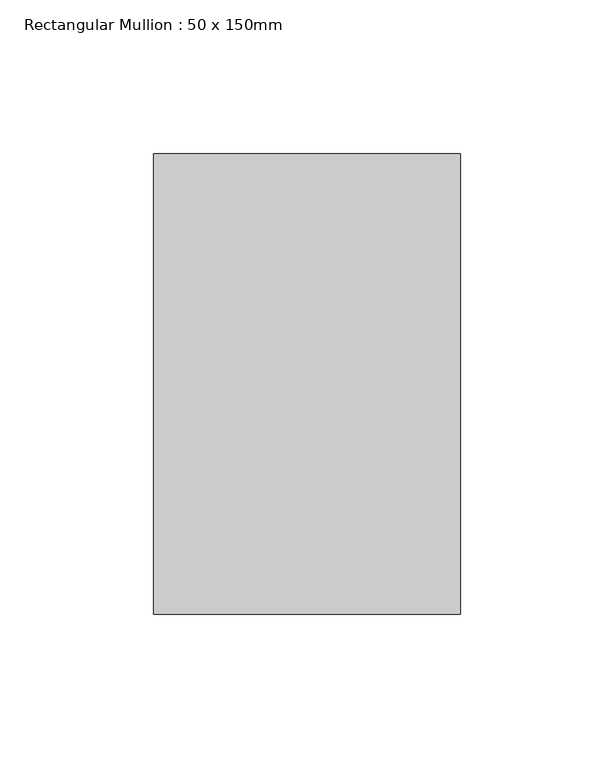
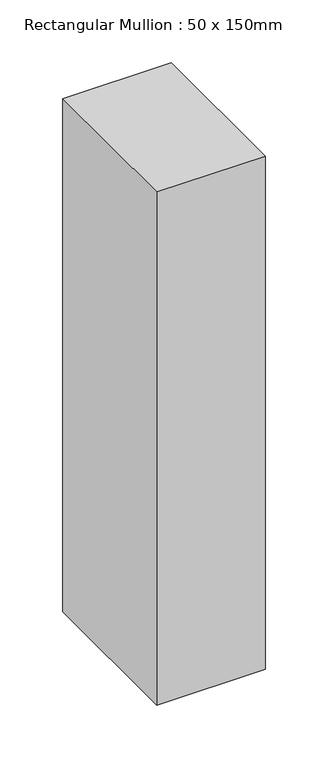
"""IFC4 building model written with IfcOpenShell, lengths in millimetres: member geometry, Rectangular Mullion : 50 x 150mm."""

import ifcopenshell
import ifcopenshell.guid

model = None  # the IFC model being written
_history = None  # IfcOwnerHistory: only IFC2X3 demands one
_inside = {}  # id of a spatial element -> (the spatial element, [elements in it])
_under = {}  # id of a project, library or spatial element -> (it, [spatial elements below it])
_declared = {}  # id of a project -> (the project, [libraries it declares])
_typed = {}  # id of a type object -> (the type object, [elements of that type])
_made_of = {}  # id of a material, layer set ... -> (it, [elements and type objects made of it])


def new_model(schema):
    """Start an empty IFC model of exactly this schema.

    Asked for "IFC4X3", IfcOpenShell would pick the latest addendum, in which some entities
    have other attributes; the version numbers below select the first issue.
    IFC2X3 requires an IfcOwnerHistory on every rooted entity: one is made here for all.
    """
    global model, _history
    if schema == "IFC4X3":
        model = ifcopenshell.file(schema_version=(4, 3, 0, 0))
    else:
        model = ifcopenshell.file(schema=schema)
    _inside.clear()
    _under.clear()
    _declared.clear()
    _typed.clear()
    _made_of.clear()
    _history = None
    if model.schema == "IFC2X3":
        org = make("IfcOrganization", Name="unknown")
        user = make(
            "IfcPersonAndOrganization",
            ThePerson=make("IfcPerson", FamilyName="unknown"),
            TheOrganization=org,
        )
        app = make(
            "IfcApplication",
            ApplicationDeveloper=org,
            Version="unknown",
            ApplicationFullName="unknown",
            ApplicationIdentifier="unknown",
        )
        _history = make(
            "IfcOwnerHistory",
            OwningUser=user,
            OwningApplication=app,
            ChangeAction="ADDED",
            CreationDate=0,
        )
    return model


def make(cls, **values):
    """One entity of the class cls with the attributes given. An attribute that is None is left unset."""
    return model.create_entity(
        cls, **{name: value for name, value in values.items() if value is not None}
    )


def rooted(cls, **values):
    """An entity with a GlobalId (a new one), such as an element, a storey or a relation."""
    return make(cls, GlobalId=ifcopenshell.guid.new(), OwnerHistory=_history, **values)


def si_unit(unit_type, name, prefix=None):
    """IfcSIUnit, for example si_unit("LENGTHUNIT", "METRE", prefix="MILLI")."""
    return make("IfcSIUnit", UnitType=unit_type, Prefix=prefix, Name=name)


def assignment(units):
    """IfcUnitAssignment: the units of a project."""
    return None if units is None else make("IfcUnitAssignment", Units=units)


def point(xyz):
    """IfcCartesianPoint."""
    return None if xyz is None else make("IfcCartesianPoint", Coordinates=xyz)


def direction(xyz):
    """IfcDirection."""
    return None if xyz is None else make("IfcDirection", DirectionRatios=xyz)


def frame(location, z_axis=None, x_axis=None):
    """IfcAxis2Placement3D, a coordinate frame: its origin and axes. An axis left out is left unset."""
    return make(
        "IfcAxis2Placement3D",
        Location=point(location),
        Axis=direction(z_axis),
        RefDirection=direction(x_axis),
    )


def origin():
    """The frame at (0, 0, 0) with its axes left unset."""
    return frame((0.0, 0.0, 0.0))


def place(relative_to, where):
    """IfcLocalPlacement: puts the frame where relative to a parent placement (None: the world)."""
    return make(
        "IfcLocalPlacement", PlacementRelTo=relative_to, RelativePlacement=where
    )


def context(
    kind, dimensions, precision=None, world=None, true_north=None, identifier=None
):
    """IfcGeometricRepresentationContext, for example the 3D "Model" context."""
    return make(
        "IfcGeometricRepresentationContext",
        ContextIdentifier=identifier,
        ContextType=kind,
        CoordinateSpaceDimension=dimensions,
        Precision=precision,
        WorldCoordinateSystem=world,
        TrueNorth=true_north,
    )


def project(units=None, contexts=None):
    """IfcProject with its units and contexts."""
    return rooted(
        "IfcProject",
        Name="project",
        RepresentationContexts=contexts,
        UnitsInContext=assignment(units),
    )


def spatial(cls, under=None, at=None, **own):
    """A site, building, storey or space (cls), placed at a placement, below another one or the project."""
    s = rooted(cls, ObjectPlacement=at, **own)
    if under is not None:
        _under.setdefault(under.id(), (under, []))[1].append(s)
    return s


def polyline(points):
    """IfcPolyline through the points."""
    return make("IfcPolyline", Points=[point(p) for p in points])


def outline(outer, holes=None, kind="AREA"):
    """IfcArbitraryClosedProfileDef: a profile drawn as a closed curve; with holes, ...WithVoids."""
    if holes is None:
        return make("IfcArbitraryClosedProfileDef", ProfileType=kind, OuterCurve=outer)
    return make(
        "IfcArbitraryProfileDefWithVoids",
        ProfileType=kind,
        OuterCurve=outer,
        InnerCurves=holes,
    )


def extrude(swept, where, along, depth):
    """IfcExtrudedAreaSolid: the profile swept, set in the frame where, extruded along a direction by depth."""
    return make(
        "IfcExtrudedAreaSolid",
        SweptArea=swept,
        Position=where,
        ExtrudedDirection=direction(along),
        Depth=depth,
    )


def shape(context_of_items, identifier, shape_type, items):
    """IfcShapeRepresentation: the items that make up one representation, for example the "Body"."""
    return make(
        "IfcShapeRepresentation",
        ContextOfItems=context_of_items,
        RepresentationIdentifier=identifier,
        RepresentationType=shape_type,
        Items=items,
    )


def source(mapping_origin, context_of_items, identifier, shape_type, items):
    """IfcRepresentationMap: a shape defined once, which mapped items show again and again."""
    return make(
        "IfcRepresentationMap",
        MappingOrigin=mapping_origin,
        MappedRepresentation=shape(context_of_items, identifier, shape_type, items),
    )


def transform(
    local_origin,
    x_axis=None,
    y_axis=None,
    z_axis=None,
    scale=None,
    scale2=None,
    scale3=None,
    uniform=True,
):
    """IfcCartesianTransformationOperator3D, or its non-uniform kind. x_axis, y_axis, z_axis: its Axis1, 2, 3."""
    if uniform:
        return make(
            "IfcCartesianTransformationOperator3D",
            Axis1=direction(x_axis),
            Axis2=direction(y_axis),
            LocalOrigin=point(local_origin),
            Scale=scale,
            Axis3=direction(z_axis),
        )
    return make(
        "IfcCartesianTransformationOperator3DnonUniform",
        Axis1=direction(x_axis),
        Axis2=direction(y_axis),
        LocalOrigin=point(local_origin),
        Scale=scale,
        Axis3=direction(z_axis),
        Scale2=scale2,
        Scale3=scale3,
    )


def mapped(mapping_source, mapping_target):
    """IfcMappedItem: shows the shape of a source again, moved by a transform."""
    return make(
        "IfcMappedItem", MappingSource=mapping_source, MappingTarget=mapping_target
    )


def made_of(thing, what):
    """Note that an element or type object is made of a material, layer set ...; save() writes the relation."""
    if what is not None:
        _made_of.setdefault(what.id(), (what, []))[1].append(thing)
    return thing


def element(
    cls,
    number,
    at=None,
    inside=None,
    cuts=None,
    type_object=None,
    material=None,
    context=None,
    identifier="Body",
    shape_type=None,
    held_by="IfcProductDefinitionShape",
    body=None,
    shapes=None,
    **own,
):
    """One element of the class cls, such as IfcWall. Its Tag is "e" and its number.

    at: its placement. inside: the storey or other place that contains it. cuts: it is an
    opening in that element (IfcRelVoidsElement). A single representation is given by context,
    identifier, shape_type and body (its items); several are given by shapes. held_by: the class
    of the entity that holds the representations. save() writes the other relations.
    """
    e = rooted(cls, Tag="e%d" % number, ObjectPlacement=at, **own)
    if body is not None:
        shapes = [shape(context, identifier, shape_type, body)]
    if shapes is not None:
        e.Representation = make(held_by, Representations=shapes)
    if inside is not None:
        _inside.setdefault(inside.id(), (inside, []))[1].append(e)
    if cuts is not None:
        rooted(
            "IfcRelVoidsElement", RelatingBuildingElement=cuts, RelatedOpeningElement=e
        )
    if type_object is not None:
        _typed.setdefault(type_object.id(), (type_object, []))[1].append(e)
    return made_of(e, material)


def aggregate(whole, parts):
    """IfcRelAggregates: a whole, such as a stair, and the parts it consists of."""
    return rooted("IfcRelAggregates", RelatingObject=whole, RelatedObjects=parts)


def save(model, path):
    """Write the relations noted so far, then the file.

    IfcRelAggregates (storeys below a building ...), IfcRelContainedInSpatialStructure (elements
    in a storey), IfcRelDefinesByType, IfcRelAssociatesMaterial and IfcRelDeclares: one each for
    every whole, place, type object, material and project.
    """
    for whole, parts in _under.values():
        aggregate(whole, parts)
    for where, things in _inside.values():
        rooted(
            "IfcRelContainedInSpatialStructure",
            RelatedElements=things,
            RelatingStructure=where,
        )
    for kind, things in _typed.values():
        rooted("IfcRelDefinesByType", RelatedObjects=things, RelatingType=kind)
    for what, things in _made_of.values():
        rooted("IfcRelAssociatesMaterial", RelatedObjects=things, RelatingMaterial=what)
    for by, libraries in _declared.values():
        rooted("IfcRelDeclares", RelatingContext=by, RelatedDefinitions=libraries)
    model.write(path)


def rectangular_mullion_50_x_150mm_ab0b3681(model_context):
    return source(origin(), model_context, "Body", "SweptSolid", [
        extrude(outline(polyline([(0.0, 75.0), (0.0, -75.0), (-100.0, -75.0), (-100.0, 75.0), (0.0, 75.0)])), frame((0.0, 0.0, -500.0), z_axis=(0.0, 0.0, 1.0), x_axis=(1.0, 0.0, 0.0)), (0.0, 0.0, 1.0), 500.0),
    ])


if __name__ == "__main__":
    model = new_model("IFC4")
    model_context = context("Model", 3, world=origin())
    ifc_project = project(units=[si_unit("LENGTHUNIT", "METRE", prefix="MILLI")], contexts=[model_context])
    site = spatial("IfcSite", under=ifc_project)
    building = spatial("IfcBuilding", under=site)
    placement = place(None, origin())
    rectangular_mullion_50_x_150mm_shape = rectangular_mullion_50_x_150mm_ab0b3681(model_context)
    element("IfcMember", 1, ObjectType="Rectangular Mullion : 50 x 150mm", at=placement, inside=building, context=model_context, shape_type="MappedRepresentation", body=[
        mapped(rectangular_mullion_50_x_150mm_shape, transform((0.0, 0.0, 0.0), x_axis=(1.0, 0.0, 0.0), y_axis=(0.0, 1.0, 0.0), z_axis=(0.0, 0.0, 1.0))),
    ])
    save(model, "model.ifc")
